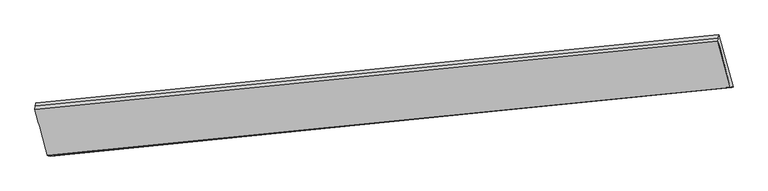
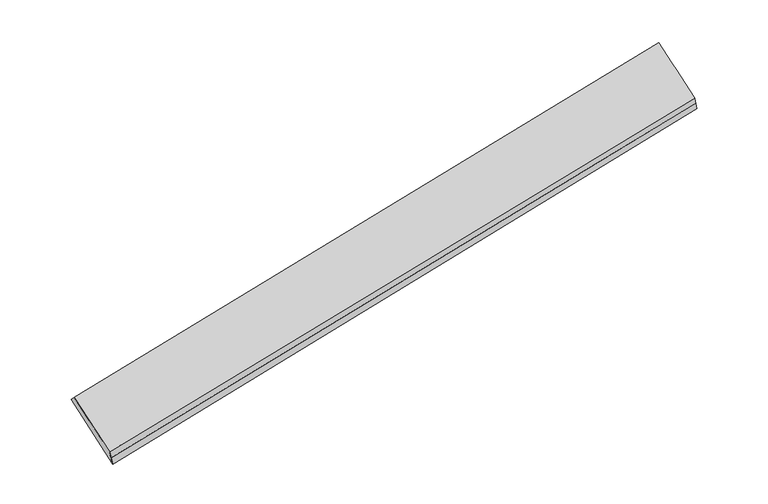
"""IFC4 building model written with IfcOpenShell, lengths in millimetres: proxy geometry."""

from ifc_helpers import new_model, si_unit, frame, origin, place, context, project, spatial, source, transform, mapped, element, save
from ifc_brep_helpers import plane_surface, spline_surface, advanced_brep


def generic_models_23bd0704(model_context):
    return source(origin(), model_context, "Body", "AdvancedBrep", [
        advanced_brep(
        [(-10008.6289885, -1659.4843573, 1183.1668753), (-9756.210568, -2602.4936625, 368.9618303), (4197.2505388, -1215.290166, 3061.3398842), (3942.0396785, -267.1771485, 3887.3095559), (-9725.8236572, -2610.7107404, 216.4545832), (4224.1898292, -1210.2595571, 2919.7630544), (-9695.4367463, -2618.9278183, 63.947336), (4251.1291197, -1205.2289482, 2778.1862247), (-9994.9371115, -1532.3081054, 1046.7256232), (3956.23527, -135.3221717, 3745.8487259), (-10001.78305, -1595.8962313, 1114.9462493), (3949.1374743, -201.2496601, 3816.5791409)],
        [
            (0, 1),
            (1, 2),
            (2, 3),
            (3, 0),
            (1, 4),
            (4, 5),
            (5, 2),
            (4, 6),
            (6, 7),
            (7, 5),
            (6, 8),
            (8, 9),
            (9, 7),
            (8, 10),
            (10, 11),
            (11, 9),
            (10, 0),
            (3, 11),
        ],
        [
            spline_surface(1, 1, [[(-10008.6289885, -1659.4843573, 1183.1668753), (3942.0396785, -267.1771485, 3887.3095559)], [(-9756.210568, -2602.4936625, 368.9618303), (4197.2505388, -1215.290166, 3061.3398842)]], [2, 2], [2, 2], [0.0, 1.0], [0.0, 1.0]),
            spline_surface(1, 1, [[(-9756.210568, -2602.4936625, 368.9618303), (4197.2505388, -1215.290166, 3061.3398842)], [(-9725.8236572, -2610.7107404, 216.4545832), (4224.1898292, -1210.2595571, 2919.7630544)]], [2, 2], [2, 2], [0.0, 1.0], [0.0, 1.0]),
            spline_surface(1, 1, [[(-9725.8236572, -2610.7107404, 216.4545832), (4224.1898292, -1210.2595571, 2919.7630544)], [(-9695.4367463, -2618.9278183, 63.947336), (4251.1291197, -1205.2289482, 2778.1862247)]], [2, 2], [2, 2], [0.0, 1.0], [0.0, 1.0]),
            plane_surface(frame((-9845.1869289, -2075.6179619, 555.3364796), z_axis=(0.07305991638687592, 0.6799894112005103, -0.729572922518871), x_axis=(-0.20027775275749504, 0.7266293452019639, 0.6571899393948245))),
            plane_surface(frame((-9998.3600807, -1564.1021684, 1080.8359362), z_axis=(-0.19992316520328832, 0.7266648631955679, 0.6572586284044245), x_axis=(-0.07320971555734634, -0.680004444824826, 0.7295438935160053))),
            plane_surface(frame((-10005.2060192, -1627.6902943, 1149.0565623), z_axis=(-0.19992316520328804, 0.7266648631955706, 0.6572586284044218), x_axis=(-0.07320971555734607, -0.6800044448248233, 0.7295438935160081))),
            plane_surface(frame((4086.6636518, -705.7546086, 3368.1710976), z_axis=(0.9770000815242945, 0.09799872300098714, 0.18938608975238336), x_axis=(-0.0732097155573462, -0.6800044448248247, 0.7295438935160068))),
            plane_surface(frame((-9863.8033536, -2103.3034859, 665.7004162), z_axis=(-0.9770000815242618, -0.09799872300109974, -0.18938608975249413), x_axis=(0.07320971555735306, 0.6800044448248239, -0.7295438935160068))),
        ],
        [
            (0, [[1, 2, 3, 4]]),
            (1, [[5, 6, 7, -2]]),
            (2, [[8, 9, 10, -6]]),
            (3, [[11, 12, 13, -9]]),
            (4, [[14, 15, 16, -12]]),
            (5, [[17, -4, 18, -15]]),
            (6, [[-16, -18, -3, -7, -10, -13]]),
            (7, [[-17, -14, -11, -8, -5, -1]]),
        ],
    ),
    ])


if __name__ == "__main__":
    model = new_model("IFC4")
    model_context = context("Model", 3, world=origin())
    ifc_project = project(units=[si_unit("LENGTHUNIT", "METRE", prefix="MILLI")], contexts=[model_context])
    site = spatial("IfcSite", under=ifc_project)
    building = spatial("IfcBuilding", under=site)
    placement = place(None, origin())
    generic_models_shape = generic_models_23bd0704(model_context)
    element("IfcBuildingElementProxy", 1, Name="Generic Models", at=placement, inside=building, context=model_context, shape_type="MappedRepresentation", body=[
        mapped(generic_models_shape, transform((0.0, 0.0, 0.0), x_axis=(1.0, 0.0, 0.0), y_axis=(0.0, 1.0, 0.0), z_axis=(0.0, 0.0, 1.0))),
    ])
    save(model, "model.ifc")
